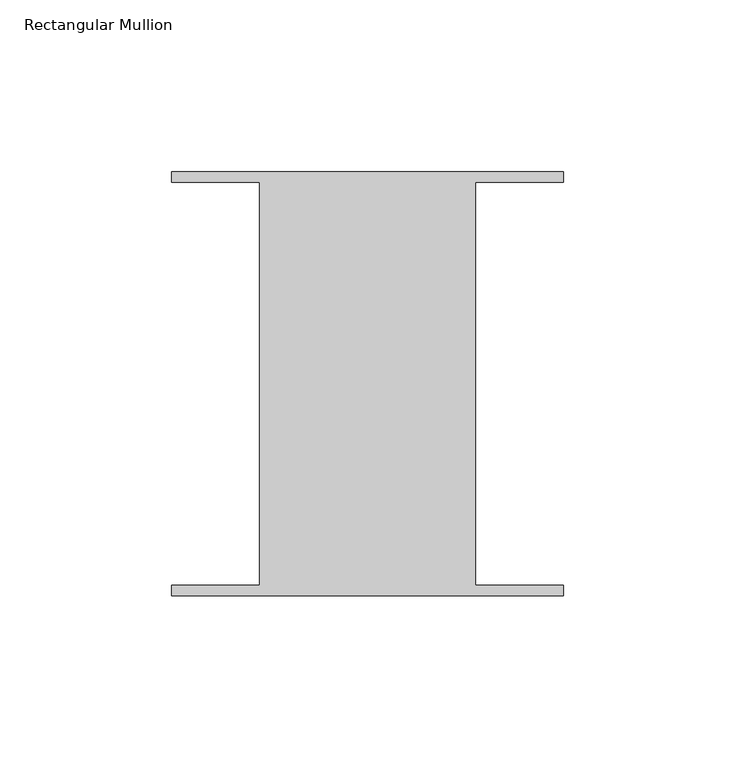
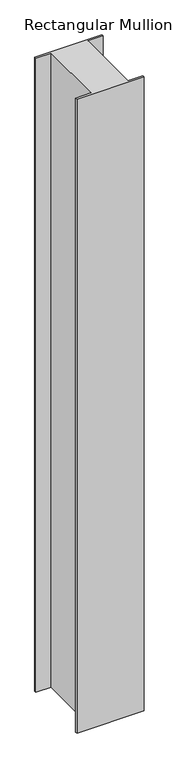
"""IFC4 building model written with IfcOpenShell, lengths in millimetres: member geometry, Rectangular Mullion."""

from ifc_helpers import new_model, si_unit, frame, origin, place, context, project, spatial, polyline, outline, extrude, source, transform, mapped, element, save


def rectangular_mullion_df5472e7(model_context):
    return source(origin(), model_context, "Body", "SweptSolid", [
        extrude(outline(polyline([(31.4523438, 58.6995588), (31.4523437, -58.7754412), (57.15, -58.7754413), (57.15, -61.8512225), (-57.15, -61.8512225), (-57.15, -58.7754413), (-31.4523438, -58.7754412), (-31.4523437, 58.6995588), (-57.15, 58.6995587), (-57.15, 61.77534), (57.15, 61.77534), (57.15, 58.6995587), (31.4523438, 58.6995588)])), frame((0.0, 0.0, -1136.6500003), z_axis=(0.0, 0.0, 1.0), x_axis=(1.0, 0.0, 0.0)), (0.0, 0.0, 1.0), 1136.6500003),
    ])


if __name__ == "__main__":
    model = new_model("IFC4")
    model_context = context("Model", 3, world=origin())
    ifc_project = project(units=[si_unit("LENGTHUNIT", "METRE", prefix="MILLI")], contexts=[model_context])
    site = spatial("IfcSite", under=ifc_project)
    building = spatial("IfcBuilding", under=site)
    placement = place(None, origin())
    rectangular_mullion_shape = rectangular_mullion_df5472e7(model_context)
    element("IfcMember", 1, ObjectType="Rectangular Mullion", at=placement, inside=building, context=model_context, shape_type="MappedRepresentation", body=[
        mapped(rectangular_mullion_shape, transform((0.0, 0.0, 0.0), x_axis=(1.0, 0.0, 0.0), y_axis=(0.0, 1.0, 0.0), z_axis=(0.0, 0.0, 1.0))),
    ])
    save(model, "model.ifc")
